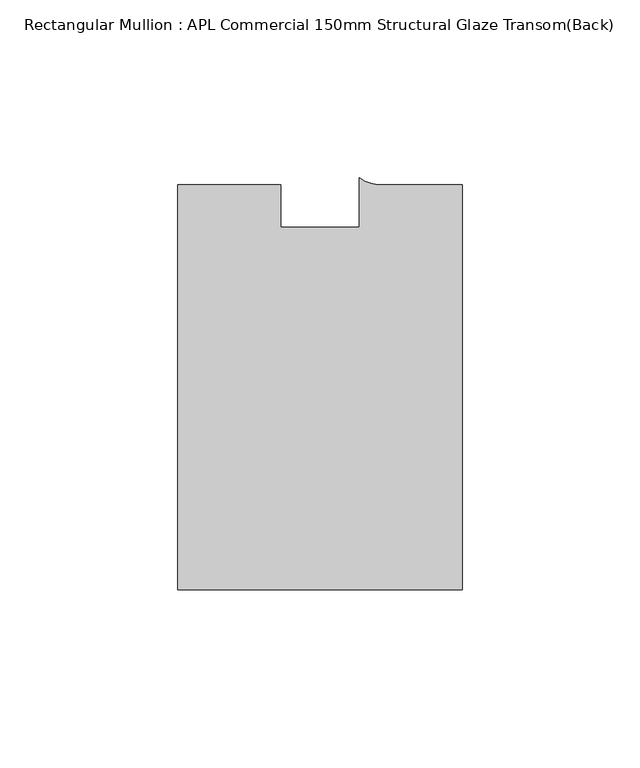
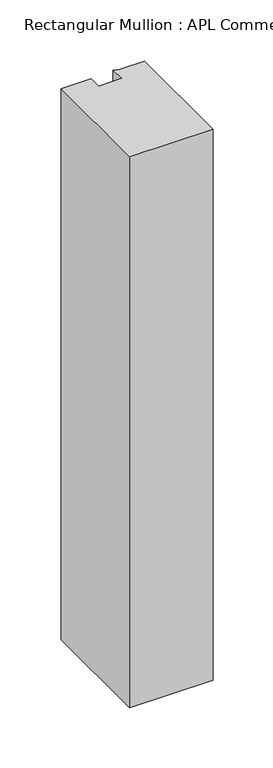
"""IFC4 building model written with IfcOpenShell, lengths in millimetres: member geometry, Rectangular Mullion : APL Commercial 150mm Structural Glaze Transom(Back)."""

from ifc_helpers import new_model, si_unit, point, frame, frame_2d, origin, place, context, project, spatial, polyline, circle_curve, trimmed, segment, composite_curve, outline, extrude, source, transform, mapped, element, save


def rectangular_mullion_apl_commercial_150mm_structural_glaze_567f2164(model_context):
    return source(origin(), model_context, "Body", "SweptSolid", [
        extrude(outline(composite_curve([segment(polyline([(40.0, -128.9999975), (-40.0, -128.9999975), (-40.0, -15.0000829), (-11.0000151, -15.0000829), (-11.0000151, -27.0), (11.0000151, -27.0), (11.0000151, -13.0673455)]), True, "CONTINUOUS"), segment(trimmed(circle_curve(frame_2d((17.1097719, -4.581653)), 10.4563907), [point((11.0000151, -13.0673455))], [point((17.9999542, -15.0000829))], True, "CARTESIAN"), True, "CONTINUOUS"), segment(polyline([(17.9999542, -15.0000829), (40.0, -15.0000829), (40.0, -128.9999975)]), True, "CONTINUOUS")], self_intersect=False)), frame((0.0, 0.0, -559.2000713), z_axis=(0.0, 0.0, 1.0), x_axis=(1.0, 0.0, 0.0)), (0.0, 0.0, 1.0), 559.2000713),
    ])


if __name__ == "__main__":
    model = new_model("IFC4")
    model_context = context("Model", 3, world=origin())
    ifc_project = project(units=[si_unit("LENGTHUNIT", "METRE", prefix="MILLI")], contexts=[model_context])
    site = spatial("IfcSite", under=ifc_project)
    building = spatial("IfcBuilding", under=site)
    placement = place(None, origin())
    rectangular_mullion_apl_commercial_150mm_structural_glaze_shape = rectangular_mullion_apl_commercial_150mm_structural_glaze_567f2164(model_context)
    element("IfcMember", 1, ObjectType="Rectangular Mullion : APL Commercial 150mm Structural Glaze Transom(Back)", at=placement, inside=building, context=model_context, shape_type="MappedRepresentation", body=[
        mapped(rectangular_mullion_apl_commercial_150mm_structural_glaze_shape, transform((0.0, 0.0, 0.0), x_axis=(1.0, 0.0, 0.0), y_axis=(0.0, 1.0, 0.0), z_axis=(0.0, 0.0, 1.0))),
    ])
    save(model, "model.ifc")
